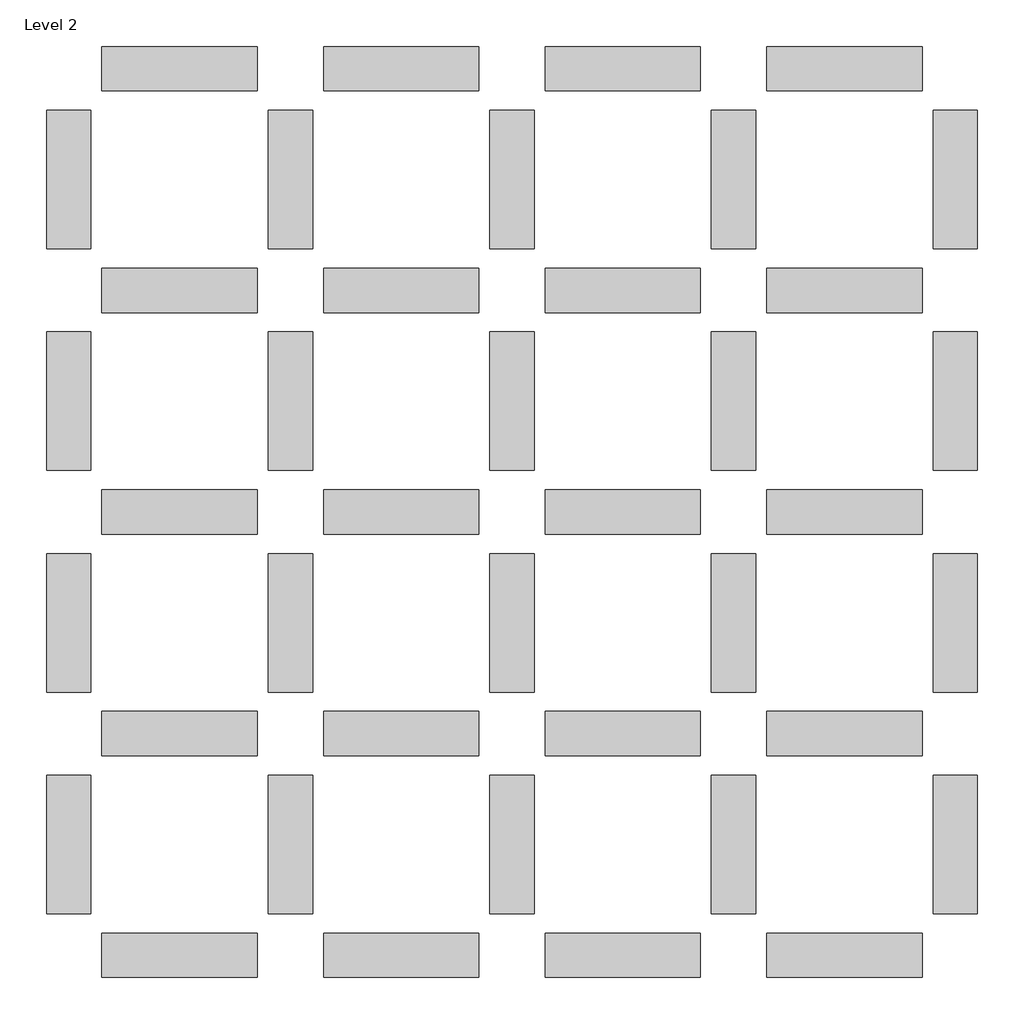
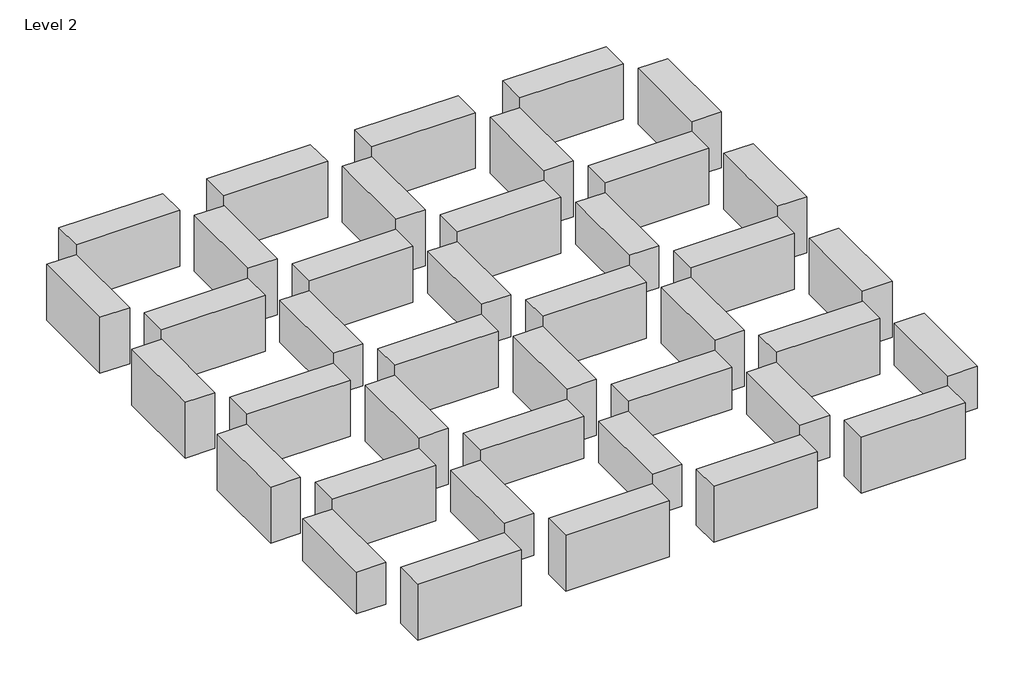
# One storey: 40 beams.
"""IFC4 building model written with IfcOpenShell, lengths in millimetres."""

import ifcopenshell
import ifcopenshell.guid

model = None  # the IFC model being written
_history = None  # IfcOwnerHistory: only IFC2X3 demands one
_inside = {}  # id of a spatial element -> (the spatial element, [elements in it])
_under = {}  # id of a project, library or spatial element -> (it, [spatial elements below it])
_declared = {}  # id of a project -> (the project, [libraries it declares])
_typed = {}  # id of a type object -> (the type object, [elements of that type])
_made_of = {}  # id of a material, layer set ... -> (it, [elements and type objects made of it])


def new_model(schema):
    """Start an empty IFC model of exactly this schema.

    Asked for "IFC4X3", IfcOpenShell would pick the latest addendum, in which some entities
    have other attributes; the version numbers below select the first issue.
    IFC2X3 requires an IfcOwnerHistory on every rooted entity: one is made here for all.
    """
    global model, _history
    if schema == "IFC4X3":
        model = ifcopenshell.file(schema_version=(4, 3, 0, 0))
    else:
        model = ifcopenshell.file(schema=schema)
    _inside.clear()
    _under.clear()
    _declared.clear()
    _typed.clear()
    _made_of.clear()
    _history = None
    if model.schema == "IFC2X3":
        org = make("IfcOrganization", Name="unknown")
        user = make(
            "IfcPersonAndOrganization",
            ThePerson=make("IfcPerson", FamilyName="unknown"),
            TheOrganization=org,
        )
        app = make(
            "IfcApplication",
            ApplicationDeveloper=org,
            Version="unknown",
            ApplicationFullName="unknown",
            ApplicationIdentifier="unknown",
        )
        _history = make(
            "IfcOwnerHistory",
            OwningUser=user,
            OwningApplication=app,
            ChangeAction="ADDED",
            CreationDate=0,
        )
    return model


def make(cls, **values):
    """One entity of the class cls with the attributes given. An attribute that is None is left unset."""
    return model.create_entity(
        cls, **{name: value for name, value in values.items() if value is not None}
    )


def rooted(cls, **values):
    """An entity with a GlobalId (a new one), such as an element, a storey or a relation."""
    return make(cls, GlobalId=ifcopenshell.guid.new(), OwnerHistory=_history, **values)


def si_unit(unit_type, name, prefix=None):
    """IfcSIUnit, for example si_unit("LENGTHUNIT", "METRE", prefix="MILLI")."""
    return make("IfcSIUnit", UnitType=unit_type, Prefix=prefix, Name=name)


def assignment(units):
    """IfcUnitAssignment: the units of a project."""
    return None if units is None else make("IfcUnitAssignment", Units=units)


def point(xyz):
    """IfcCartesianPoint."""
    return None if xyz is None else make("IfcCartesianPoint", Coordinates=xyz)


def direction(xyz):
    """IfcDirection."""
    return None if xyz is None else make("IfcDirection", DirectionRatios=xyz)


def frame(location, z_axis=None, x_axis=None):
    """IfcAxis2Placement3D, a coordinate frame: its origin and axes. An axis left out is left unset."""
    return make(
        "IfcAxis2Placement3D",
        Location=point(location),
        Axis=direction(z_axis),
        RefDirection=direction(x_axis),
    )


def origin():
    """The frame at (0, 0, 0) with its axes left unset."""
    return frame((0.0, 0.0, 0.0))


def place(relative_to, where):
    """IfcLocalPlacement: puts the frame where relative to a parent placement (None: the world)."""
    return make(
        "IfcLocalPlacement", PlacementRelTo=relative_to, RelativePlacement=where
    )


def context(
    kind, dimensions, precision=None, world=None, true_north=None, identifier=None
):
    """IfcGeometricRepresentationContext, for example the 3D "Model" context."""
    return make(
        "IfcGeometricRepresentationContext",
        ContextIdentifier=identifier,
        ContextType=kind,
        CoordinateSpaceDimension=dimensions,
        Precision=precision,
        WorldCoordinateSystem=world,
        TrueNorth=true_north,
    )


def project(units=None, contexts=None):
    """IfcProject with its units and contexts."""
    return rooted(
        "IfcProject",
        Name="project",
        RepresentationContexts=contexts,
        UnitsInContext=assignment(units),
    )


def spatial(cls, under=None, at=None, **own):
    """A site, building, storey or space (cls), placed at a placement, below another one or the project."""
    s = rooted(cls, ObjectPlacement=at, **own)
    if under is not None:
        _under.setdefault(under.id(), (under, []))[1].append(s)
    return s


def polyline(points):
    """IfcPolyline through the points."""
    return make("IfcPolyline", Points=[point(p) for p in points])


def outline(outer, holes=None, kind="AREA"):
    """IfcArbitraryClosedProfileDef: a profile drawn as a closed curve; with holes, ...WithVoids."""
    if holes is None:
        return make("IfcArbitraryClosedProfileDef", ProfileType=kind, OuterCurve=outer)
    return make(
        "IfcArbitraryProfileDefWithVoids",
        ProfileType=kind,
        OuterCurve=outer,
        InnerCurves=holes,
    )


def extrude(swept, where, along, depth):
    """IfcExtrudedAreaSolid: the profile swept, set in the frame where, extruded along a direction by depth."""
    return make(
        "IfcExtrudedAreaSolid",
        SweptArea=swept,
        Position=where,
        ExtrudedDirection=direction(along),
        Depth=depth,
    )


def shape(context_of_items, identifier, shape_type, items):
    """IfcShapeRepresentation: the items that make up one representation, for example the "Body"."""
    return make(
        "IfcShapeRepresentation",
        ContextOfItems=context_of_items,
        RepresentationIdentifier=identifier,
        RepresentationType=shape_type,
        Items=items,
    )


def made_of(thing, what):
    """Note that an element or type object is made of a material, layer set ...; save() writes the relation."""
    if what is not None:
        _made_of.setdefault(what.id(), (what, []))[1].append(thing)
    return thing


def element(
    cls,
    number,
    at=None,
    inside=None,
    cuts=None,
    type_object=None,
    material=None,
    context=None,
    identifier="Body",
    shape_type=None,
    held_by="IfcProductDefinitionShape",
    body=None,
    shapes=None,
    **own,
):
    """One element of the class cls, such as IfcWall. Its Tag is "e" and its number.

    at: its placement. inside: the storey or other place that contains it. cuts: it is an
    opening in that element (IfcRelVoidsElement). A single representation is given by context,
    identifier, shape_type and body (its items); several are given by shapes. held_by: the class
    of the entity that holds the representations. save() writes the other relations.
    """
    e = rooted(cls, Tag="e%d" % number, ObjectPlacement=at, **own)
    if body is not None:
        shapes = [shape(context, identifier, shape_type, body)]
    if shapes is not None:
        e.Representation = make(held_by, Representations=shapes)
    if inside is not None:
        _inside.setdefault(inside.id(), (inside, []))[1].append(e)
    if cuts is not None:
        rooted(
            "IfcRelVoidsElement", RelatingBuildingElement=cuts, RelatedOpeningElement=e
        )
    if type_object is not None:
        _typed.setdefault(type_object.id(), (type_object, []))[1].append(e)
    return made_of(e, material)


def aggregate(whole, parts):
    """IfcRelAggregates: a whole, such as a stair, and the parts it consists of."""
    return rooted("IfcRelAggregates", RelatingObject=whole, RelatedObjects=parts)


def save(model, path):
    """Write the relations noted so far, then the file.

    IfcRelAggregates (storeys below a building ...), IfcRelContainedInSpatialStructure (elements
    in a storey), IfcRelDefinesByType, IfcRelAssociatesMaterial and IfcRelDeclares: one each for
    every whole, place, type object, material and project.
    """
    for whole, parts in _under.values():
        aggregate(whole, parts)
    for where, things in _inside.values():
        rooted(
            "IfcRelContainedInSpatialStructure",
            RelatedElements=things,
            RelatingStructure=where,
        )
    for kind, things in _typed.values():
        rooted("IfcRelDefinesByType", RelatedObjects=things, RelatingType=kind)
    for what, things in _made_of.values():
        rooted("IfcRelAssociatesMaterial", RelatedObjects=things, RelatingMaterial=what)
    for by, libraries in _declared.values():
        rooted("IfcRelDeclares", RelatingContext=by, RelatedDefinitions=libraries)
    model.write(path)


model = new_model("IFC4")

# Units and contexts
model_context = context("Model", 3, world=origin())
ifc_project = project(units=[si_unit("LENGTHUNIT", "METRE", prefix="MILLI")], contexts=[model_context])

# Site, building, storey
site = spatial("IfcSite", under=ifc_project)
building = spatial("IfcBuilding", under=site)
storey = spatial("IfcBuildingStorey", under=building, Name="Level 2", Elevation=3000.0)

# Beams
placement = place(None, origin())
element("IfcBeam", 1, ObjectType="M_Concrete-Rectangular Beam : 300 x 600mm", at=placement, inside=storey, context=model_context, shape_type="SweptSolid", body=[
    extrude(outline(polyline([(-2701.1277993, 673.9289162), (-1301.1277993, 673.9289162), (-1301.1277993, 273.9289162), (-2701.1277993, 273.9289162), (-2701.1277993, 673.9289162)])), frame((0.0, 0.0, 2400.0), z_axis=(0.0, 0.0, 1.0), x_axis=(1.0, 0.0, 0.0)), (0.0, 0.0, 1.0), 600.0),
])
element("IfcBeam", 2, ObjectType="M_Concrete-Rectangular Beam : 300 x 600mm", at=placement, inside=storey, context=model_context, shape_type="SweptSolid", body=[
    extrude(outline(polyline([(698.8722007, 673.9289162), (698.8722007, 273.9289162), (-701.1277993, 273.9289162), (-701.1277993, 673.9289162), (698.8722007, 673.9289162)])), frame((0.0, 0.0, 2400.0), z_axis=(0.0, 0.0, 1.0), x_axis=(1.0, 0.0, 0.0)), (0.0, 0.0, 1.0), 600.0),
])
element("IfcBeam", 3, ObjectType="M_Concrete-Rectangular Beam : 300 x 600mm", at=placement, inside=storey, context=model_context, shape_type="SweptSolid", body=[
    extrude(outline(polyline([(-5201.1277993, 98.9289162), (-4801.1277993, 98.9289162), (-4801.1277993, -1151.0710838), (-5201.1277993, -1151.0710838), (-5201.1277993, 98.9289162)])), frame((0.0, 0.0, 2400.0), z_axis=(0.0, 0.0, 1.0), x_axis=(1.0, 0.0, 0.0)), (0.0, 0.0, 1.0), 600.0),
])
element("IfcBeam", 4, ObjectType="M_Concrete-Rectangular Beam : 300 x 600mm", at=placement, inside=storey, context=model_context, shape_type="SweptSolid", body=[
    extrude(outline(polyline([(-3201.1277993, 98.9289162), (-2801.1277993, 98.9289162), (-2801.1277993, -1151.0710838), (-3201.1277993, -1151.0710838), (-3201.1277993, 98.9289162)])), frame((0.0, 0.0, 2400.0), z_axis=(0.0, 0.0, 1.0), x_axis=(1.0, 0.0, 0.0)), (0.0, 0.0, 1.0), 600.0),
])
element("IfcBeam", 5, ObjectType="M_Concrete-Rectangular Beam : 300 x 600mm", at=placement, inside=storey, context=model_context, shape_type="SweptSolid", body=[
    extrude(outline(polyline([(-3201.1277993, 4098.9289162), (-2801.1277993, 4098.9289162), (-2801.1277993, 2848.9289162), (-3201.1277993, 2848.9289162), (-3201.1277993, 4098.9289162)])), frame((0.0, 0.0, 2400.0), z_axis=(0.0, 0.0, 1.0), x_axis=(1.0, 0.0, 0.0)), (0.0, 0.0, 1.0), 600.0),
])
element("IfcBeam", 6, ObjectType="M_Concrete-Rectangular Beam : 300 x 600mm", at=placement, inside=storey, context=model_context, shape_type="SweptSolid", body=[
    extrude(outline(polyline([(798.8722007, 98.9289162), (1198.8722007, 98.9289162), (1198.8722007, -1151.0710838), (798.8722007, -1151.0710838), (798.8722007, 98.9289162)])), frame((0.0, 0.0, 2400.0), z_axis=(0.0, 0.0, 1.0), x_axis=(1.0, 0.0, 0.0)), (0.0, 0.0, 1.0), 600.0),
])
element("IfcBeam", 7, ObjectType="M_Concrete-Rectangular Beam : 300 x 600mm", at=placement, inside=storey, context=model_context, shape_type="SweptSolid", body=[
    extrude(outline(polyline([(798.8722007, 4098.9289162), (1198.8722007, 4098.9289162), (1198.8722007, 2848.9289162), (798.8722007, 2848.9289162), (798.8722007, 4098.9289162)])), frame((0.0, 0.0, 2400.0), z_axis=(0.0, 0.0, 1.0), x_axis=(1.0, 0.0, 0.0)), (0.0, 0.0, 1.0), 600.0),
])
element("IfcBeam", 8, ObjectType="M_Concrete-Rectangular Beam : 300 x 600mm", at=placement, inside=storey, context=model_context, shape_type="SweptSolid", body=[
    extrude(outline(polyline([(-1201.1277993, 98.9289162), (-801.1277993, 98.9289162), (-801.1277993, -1151.0710838), (-1201.1277993, -1151.0710838), (-1201.1277993, 98.9289162)])), frame((0.0, 0.0, 2400.0), z_axis=(0.0, 0.0, 1.0), x_axis=(1.0, 0.0, 0.0)), (0.0, 0.0, 1.0), 600.0),
])
element("IfcBeam", 9, ObjectType="M_Concrete-Rectangular Beam : 300 x 600mm", at=placement, inside=storey, context=model_context, shape_type="SweptSolid", body=[
    extrude(outline(polyline([(-1201.1277993, 4098.9289162), (-801.1277993, 4098.9289162), (-801.1277993, 2848.9289162), (-1201.1277993, 2848.9289162), (-1201.1277993, 4098.9289162)])), frame((0.0, 0.0, 2400.0), z_axis=(0.0, 0.0, 1.0), x_axis=(1.0, 0.0, 0.0)), (0.0, 0.0, 1.0), 600.0),
])
element("IfcBeam", 10, ObjectType="M_Concrete-Rectangular Beam : 300 x 600mm", at=placement, inside=storey, context=model_context, shape_type="SweptSolid", body=[
    extrude(outline(polyline([(2798.8722007, 98.9289162), (3198.8722007, 98.9289162), (3198.8722007, -1151.0710838), (2798.8722007, -1151.0710838), (2798.8722007, 98.9289162)])), frame((0.0, 0.0, 2400.0), z_axis=(0.0, 0.0, 1.0), x_axis=(1.0, 0.0, 0.0)), (0.0, 0.0, 1.0), 600.0),
])
element("IfcBeam", 11, ObjectType="M_Concrete-Rectangular Beam : 400 x 800mm", at=placement, inside=storey, context=model_context, shape_type="SweptSolid", body=[
    extrude(outline(polyline([(-3301.1277993, 6673.9289162), (-3301.1277993, 6273.9289162), (-4701.1277993, 6273.9289162), (-4701.1277993, 6673.9289162), (-3301.1277993, 6673.9289162)])), frame((0.0, 0.0, 2200.0), z_axis=(0.0, 0.0, 1.0), x_axis=(1.0, 0.0, 0.0)), (0.0, 0.0, 1.0), 800.0),
])
element("IfcBeam", 12, ObjectType="M_Concrete-Rectangular Beam : 400 x 800mm", at=placement, inside=storey, context=model_context, shape_type="SweptSolid", body=[
    extrude(outline(polyline([(-2701.1277993, 6673.9289162), (-1301.1277993, 6673.9289162), (-1301.1277993, 6273.9289162), (-2701.1277993, 6273.9289162), (-2701.1277993, 6673.9289162)])), frame((0.0, 0.0, 2200.0), z_axis=(0.0, 0.0, 1.0), x_axis=(1.0, 0.0, 0.0)), (0.0, 0.0, 1.0), 800.0),
])
element("IfcBeam", 13, ObjectType="M_Concrete-Rectangular Beam : 400 x 800mm", at=placement, inside=storey, context=model_context, shape_type="SweptSolid", body=[
    extrude(outline(polyline([(698.8722007, 6673.9289162), (698.8722007, 6273.9289162), (-701.1277993, 6273.9289162), (-701.1277993, 6673.9289162), (698.8722007, 6673.9289162)])), frame((0.0, 0.0, 2200.0), z_axis=(0.0, 0.0, 1.0), x_axis=(1.0, 0.0, 0.0)), (0.0, 0.0, 1.0), 800.0),
])
element("IfcBeam", 14, ObjectType="M_Concrete-Rectangular Beam : 400 x 800mm", at=placement, inside=storey, context=model_context, shape_type="SweptSolid", body=[
    extrude(outline(polyline([(1298.8722007, 6673.9289162), (2698.8722007, 6673.9289162), (2698.8722007, 6273.9289162), (1298.8722007, 6273.9289162), (1298.8722007, 6673.9289162)])), frame((0.0, 0.0, 2200.0), z_axis=(0.0, 0.0, 1.0), x_axis=(1.0, 0.0, 0.0)), (0.0, 0.0, 1.0), 800.0),
])
element("IfcBeam", 15, ObjectType="M_Concrete-Rectangular Beam : 400 x 800mm", at=placement, inside=storey, context=model_context, shape_type="SweptSolid", body=[
    extrude(outline(polyline([(-3301.1277993, 4673.9289162), (-3301.1277993, 4273.9289162), (-4701.1277993, 4273.9289162), (-4701.1277993, 4673.9289162), (-3301.1277993, 4673.9289162)])), frame((0.0, 0.0, 2200.0), z_axis=(0.0, 0.0, 1.0), x_axis=(1.0, 0.0, 0.0)), (0.0, 0.0, 1.0), 800.0),
])
element("IfcBeam", 16, ObjectType="M_Concrete-Rectangular Beam : 400 x 800mm", at=placement, inside=storey, context=model_context, shape_type="SweptSolid", body=[
    extrude(outline(polyline([(-2701.1277993, 4673.9289162), (-1301.1277993, 4673.9289162), (-1301.1277993, 4273.9289162), (-2701.1277993, 4273.9289162), (-2701.1277993, 4673.9289162)])), frame((0.0, 0.0, 2200.0), z_axis=(0.0, 0.0, 1.0), x_axis=(1.0, 0.0, 0.0)), (0.0, 0.0, 1.0), 800.0),
])
element("IfcBeam", 17, ObjectType="M_Concrete-Rectangular Beam : 400 x 800mm", at=placement, inside=storey, context=model_context, shape_type="SweptSolid", body=[
    extrude(outline(polyline([(698.8722007, 4673.9289162), (698.8722007, 4273.9289162), (-701.1277993, 4273.9289162), (-701.1277993, 4673.9289162), (698.8722007, 4673.9289162)])), frame((0.0, 0.0, 2200.0), z_axis=(0.0, 0.0, 1.0), x_axis=(1.0, 0.0, 0.0)), (0.0, 0.0, 1.0), 800.0),
])
element("IfcBeam", 18, ObjectType="M_Concrete-Rectangular Beam : 400 x 800mm", at=placement, inside=storey, context=model_context, shape_type="SweptSolid", body=[
    extrude(outline(polyline([(1298.8722007, 4673.9289162), (2698.8722007, 4673.9289162), (2698.8722007, 4273.9289162), (1298.8722007, 4273.9289162), (1298.8722007, 4673.9289162)])), frame((0.0, 0.0, 2200.0), z_axis=(0.0, 0.0, 1.0), x_axis=(1.0, 0.0, 0.0)), (0.0, 0.0, 1.0), 800.0),
])
element("IfcBeam", 19, ObjectType="M_Concrete-Rectangular Beam : 400 x 800mm", at=placement, inside=storey, context=model_context, shape_type="SweptSolid", body=[
    extrude(outline(polyline([(-3301.1277993, 2673.9289162), (-3301.1277993, 2273.9289162), (-4701.1277993, 2273.9289162), (-4701.1277993, 2673.9289162), (-3301.1277993, 2673.9289162)])), frame((0.0, 0.0, 2200.0), z_axis=(0.0, 0.0, 1.0), x_axis=(1.0, 0.0, 0.0)), (0.0, 0.0, 1.0), 800.0),
])
element("IfcBeam", 20, ObjectType="M_Concrete-Rectangular Beam : 400 x 800mm", at=placement, inside=storey, context=model_context, shape_type="SweptSolid", body=[
    extrude(outline(polyline([(-2701.1277993, 2673.9289162), (-1301.1277993, 2673.9289162), (-1301.1277993, 2273.9289162), (-2701.1277993, 2273.9289162), (-2701.1277993, 2673.9289162)])), frame((0.0, 0.0, 2200.0), z_axis=(0.0, 0.0, 1.0), x_axis=(1.0, 0.0, 0.0)), (0.0, 0.0, 1.0), 800.0),
])
element("IfcBeam", 21, ObjectType="M_Concrete-Rectangular Beam : 400 x 800mm", at=placement, inside=storey, context=model_context, shape_type="SweptSolid", body=[
    extrude(outline(polyline([(698.8722007, 2673.9289162), (698.8722007, 2273.9289162), (-701.1277993, 2273.9289162), (-701.1277993, 2673.9289162), (698.8722007, 2673.9289162)])), frame((0.0, 0.0, 2200.0), z_axis=(0.0, 0.0, 1.0), x_axis=(1.0, 0.0, 0.0)), (0.0, 0.0, 1.0), 800.0),
])
element("IfcBeam", 22, ObjectType="M_Concrete-Rectangular Beam : 400 x 800mm", at=placement, inside=storey, context=model_context, shape_type="SweptSolid", body=[
    extrude(outline(polyline([(1298.8722007, 2673.9289162), (2698.8722007, 2673.9289162), (2698.8722007, 2273.9289162), (1298.8722007, 2273.9289162), (1298.8722007, 2673.9289162)])), frame((0.0, 0.0, 2200.0), z_axis=(0.0, 0.0, 1.0), x_axis=(1.0, 0.0, 0.0)), (0.0, 0.0, 1.0), 800.0),
])
element("IfcBeam", 23, ObjectType="M_Concrete-Rectangular Beam : 400 x 800mm", at=placement, inside=storey, context=model_context, shape_type="SweptSolid", body=[
    extrude(outline(polyline([(-3301.1277993, 673.9289162), (-3301.1277993, 273.9289162), (-4701.1277993, 273.9289162), (-4701.1277993, 673.9289162), (-3301.1277993, 673.9289162)])), frame((0.0, 0.0, 2200.0), z_axis=(0.0, 0.0, 1.0), x_axis=(1.0, 0.0, 0.0)), (0.0, 0.0, 1.0), 800.0),
])
element("IfcBeam", 24, ObjectType="M_Concrete-Rectangular Beam : 400 x 800mm", at=placement, inside=storey, context=model_context, shape_type="SweptSolid", body=[
    extrude(outline(polyline([(1298.8722007, 673.9289162), (2698.8722007, 673.9289162), (2698.8722007, 273.9289162), (1298.8722007, 273.9289162), (1298.8722007, 673.9289162)])), frame((0.0, 0.0, 2200.0), z_axis=(0.0, 0.0, 1.0), x_axis=(1.0, 0.0, 0.0)), (0.0, 0.0, 1.0), 800.0),
])
element("IfcBeam", 25, ObjectType="M_Concrete-Rectangular Beam : 400 x 800mm", at=placement, inside=storey, context=model_context, shape_type="SweptSolid", body=[
    extrude(outline(polyline([(-3301.1277993, -1326.0710838), (-3301.1277993, -1726.0710838), (-4701.1277993, -1726.0710838), (-4701.1277993, -1326.0710838), (-3301.1277993, -1326.0710838)])), frame((0.0, 0.0, 2200.0), z_axis=(0.0, 0.0, 1.0), x_axis=(1.0, 0.0, 0.0)), (0.0, 0.0, 1.0), 800.0),
])
element("IfcBeam", 26, ObjectType="M_Concrete-Rectangular Beam : 400 x 800mm", at=placement, inside=storey, context=model_context, shape_type="SweptSolid", body=[
    extrude(outline(polyline([(-2701.1277993, -1326.0710838), (-1301.1277993, -1326.0710838), (-1301.1277993, -1726.0710838), (-2701.1277993, -1726.0710838), (-2701.1277993, -1326.0710838)])), frame((0.0, 0.0, 2200.0), z_axis=(0.0, 0.0, 1.0), x_axis=(1.0, 0.0, 0.0)), (0.0, 0.0, 1.0), 800.0),
])
element("IfcBeam", 27, ObjectType="M_Concrete-Rectangular Beam : 400 x 800mm", at=placement, inside=storey, context=model_context, shape_type="SweptSolid", body=[
    extrude(outline(polyline([(698.8722007, -1326.0710838), (698.8722007, -1726.0710838), (-701.1277993, -1726.0710838), (-701.1277993, -1326.0710838), (698.8722007, -1326.0710838)])), frame((0.0, 0.0, 2200.0), z_axis=(0.0, 0.0, 1.0), x_axis=(1.0, 0.0, 0.0)), (0.0, 0.0, 1.0), 800.0),
])
element("IfcBeam", 28, ObjectType="M_Concrete-Rectangular Beam : 400 x 800mm", at=placement, inside=storey, context=model_context, shape_type="SweptSolid", body=[
    extrude(outline(polyline([(1298.8722007, -1326.0710838), (2698.8722007, -1326.0710838), (2698.8722007, -1726.0710838), (1298.8722007, -1726.0710838), (1298.8722007, -1326.0710838)])), frame((0.0, 0.0, 2200.0), z_axis=(0.0, 0.0, 1.0), x_axis=(1.0, 0.0, 0.0)), (0.0, 0.0, 1.0), 800.0),
])
element("IfcBeam", 29, ObjectType="M_Concrete-Rectangular Beam : 400 x 800mm", at=placement, inside=storey, context=model_context, shape_type="SweptSolid", body=[
    extrude(outline(polyline([(-5201.1277993, 848.9289162), (-5201.1277993, 2098.9289162), (-4801.1277993, 2098.9289162), (-4801.1277993, 848.9289162), (-5201.1277993, 848.9289162)])), frame((0.0, 0.0, 2200.0), z_axis=(0.0, 0.0, 1.0), x_axis=(1.0, 0.0, 0.0)), (0.0, 0.0, 1.0), 800.0),
])
element("IfcBeam", 30, ObjectType="M_Concrete-Rectangular Beam : 400 x 800mm", at=placement, inside=storey, context=model_context, shape_type="SweptSolid", body=[
    extrude(outline(polyline([(-5201.1277993, 4098.9289162), (-4801.1277993, 4098.9289162), (-4801.1277993, 2848.9289162), (-5201.1277993, 2848.9289162), (-5201.1277993, 4098.9289162)])), frame((0.0, 0.0, 2200.0), z_axis=(0.0, 0.0, 1.0), x_axis=(1.0, 0.0, 0.0)), (0.0, 0.0, 1.0), 800.0),
])
element("IfcBeam", 31, ObjectType="M_Concrete-Rectangular Beam : 400 x 800mm", at=placement, inside=storey, context=model_context, shape_type="SweptSolid", body=[
    extrude(outline(polyline([(-5201.1277993, 4848.9289162), (-5201.1277993, 6098.9289162), (-4801.1277993, 6098.9289162), (-4801.1277993, 4848.9289162), (-5201.1277993, 4848.9289162)])), frame((0.0, 0.0, 2200.0), z_axis=(0.0, 0.0, 1.0), x_axis=(1.0, 0.0, 0.0)), (0.0, 0.0, 1.0), 800.0),
])
element("IfcBeam", 32, ObjectType="M_Concrete-Rectangular Beam : 400 x 800mm", at=placement, inside=storey, context=model_context, shape_type="SweptSolid", body=[
    extrude(outline(polyline([(-3201.1277993, 848.9289162), (-3201.1277993, 2098.9289162), (-2801.1277993, 2098.9289162), (-2801.1277993, 848.9289162), (-3201.1277993, 848.9289162)])), frame((0.0, 0.0, 2200.0), z_axis=(0.0, 0.0, 1.0), x_axis=(1.0, 0.0, 0.0)), (0.0, 0.0, 1.0), 800.0),
])
element("IfcBeam", 33, ObjectType="M_Concrete-Rectangular Beam : 400 x 800mm", at=placement, inside=storey, context=model_context, shape_type="SweptSolid", body=[
    extrude(outline(polyline([(-3201.1277993, 4848.9289162), (-3201.1277993, 6098.9289162), (-2801.1277993, 6098.9289162), (-2801.1277993, 4848.9289162), (-3201.1277993, 4848.9289162)])), frame((0.0, 0.0, 2200.0), z_axis=(0.0, 0.0, 1.0), x_axis=(1.0, 0.0, 0.0)), (0.0, 0.0, 1.0), 800.0),
])
element("IfcBeam", 34, ObjectType="M_Concrete-Rectangular Beam : 400 x 800mm", at=placement, inside=storey, context=model_context, shape_type="SweptSolid", body=[
    extrude(outline(polyline([(798.8722007, 848.9289162), (798.8722007, 2098.9289162), (1198.8722007, 2098.9289162), (1198.8722007, 848.9289162), (798.8722007, 848.9289162)])), frame((0.0, 0.0, 2200.0), z_axis=(0.0, 0.0, 1.0), x_axis=(1.0, 0.0, 0.0)), (0.0, 0.0, 1.0), 800.0),
])
element("IfcBeam", 35, ObjectType="M_Concrete-Rectangular Beam : 400 x 800mm", at=placement, inside=storey, context=model_context, shape_type="SweptSolid", body=[
    extrude(outline(polyline([(798.8722007, 4848.9289162), (798.8722007, 6098.9289162), (1198.8722007, 6098.9289162), (1198.8722007, 4848.9289162), (798.8722007, 4848.9289162)])), frame((0.0, 0.0, 2200.0), z_axis=(0.0, 0.0, 1.0), x_axis=(1.0, 0.0, 0.0)), (0.0, 0.0, 1.0), 800.0),
])
element("IfcBeam", 36, ObjectType="M_Concrete-Rectangular Beam : 400 x 800mm", at=placement, inside=storey, context=model_context, shape_type="SweptSolid", body=[
    extrude(outline(polyline([(-1201.1277993, 848.9289162), (-1201.1277993, 2098.9289162), (-801.1277993, 2098.9289162), (-801.1277993, 848.9289162), (-1201.1277993, 848.9289162)])), frame((0.0, 0.0, 2200.0), z_axis=(0.0, 0.0, 1.0), x_axis=(1.0, 0.0, 0.0)), (0.0, 0.0, 1.0), 800.0),
])
element("IfcBeam", 37, ObjectType="M_Concrete-Rectangular Beam : 400 x 800mm", at=placement, inside=storey, context=model_context, shape_type="SweptSolid", body=[
    extrude(outline(polyline([(-1201.1277993, 4848.9289162), (-1201.1277993, 6098.9289162), (-801.1277993, 6098.9289162), (-801.1277993, 4848.9289162), (-1201.1277993, 4848.9289162)])), frame((0.0, 0.0, 2200.0), z_axis=(0.0, 0.0, 1.0), x_axis=(1.0, 0.0, 0.0)), (0.0, 0.0, 1.0), 800.0),
])
element("IfcBeam", 38, ObjectType="M_Concrete-Rectangular Beam : 400 x 800mm", at=placement, inside=storey, context=model_context, shape_type="SweptSolid", body=[
    extrude(outline(polyline([(2798.8722007, 848.9289162), (2798.8722007, 2098.9289162), (3198.8722007, 2098.9289162), (3198.8722007, 848.9289162), (2798.8722007, 848.9289162)])), frame((0.0, 0.0, 2200.0), z_axis=(0.0, 0.0, 1.0), x_axis=(1.0, 0.0, 0.0)), (0.0, 0.0, 1.0), 800.0),
])
element("IfcBeam", 39, ObjectType="M_Concrete-Rectangular Beam : 400 x 800mm", at=placement, inside=storey, context=model_context, shape_type="SweptSolid", body=[
    extrude(outline(polyline([(2798.8722007, 4098.9289162), (3198.8722007, 4098.9289162), (3198.8722007, 2848.9289162), (2798.8722007, 2848.9289162), (2798.8722007, 4098.9289162)])), frame((0.0, 0.0, 2200.0), z_axis=(0.0, 0.0, 1.0), x_axis=(1.0, 0.0, 0.0)), (0.0, 0.0, 1.0), 800.0),
])
element("IfcBeam", 40, ObjectType="M_Concrete-Rectangular Beam : 400 x 800mm", at=placement, inside=storey, context=model_context, shape_type="SweptSolid", body=[
    extrude(outline(polyline([(2798.8722007, 4848.9289162), (2798.8722007, 6098.9289162), (3198.8722007, 6098.9289162), (3198.8722007, 4848.9289162), (2798.8722007, 4848.9289162)])), frame((0.0, 0.0, 2200.0), z_axis=(0.0, 0.0, 1.0), x_axis=(1.0, 0.0, 0.0)), (0.0, 0.0, 1.0), 800.0),
])

save(model, "model.ifc")
